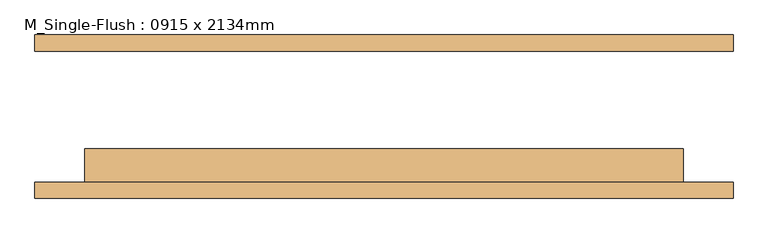
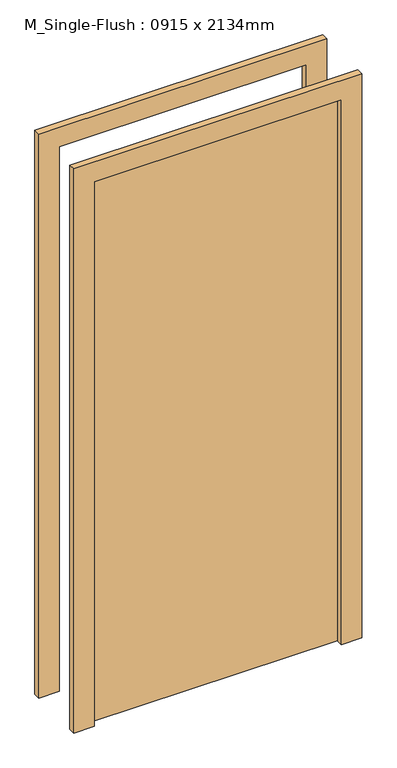
"""IFC4 building model written with IfcOpenShell, lengths in millimetres: door geometry, M_Single-Flush : 0915 x 2134mm."""

from ifc_helpers import new_model, si_unit, frame, origin, origin_with_axes, place, context, project, spatial, polyline, outline, extrude, source, transform, mapped, element, save


def m_single_flush_0915_x_2134mm_727434cd(model_context):
    return source(origin(), model_context, "Body", "SweptSolid", [
        extrude(outline(polyline([(2210.0, -533.5), (0.0, -533.5), (0.0, -457.5), (2134.0, -457.5), (2134.0, 457.5), (0.0, 457.5), (0.0, 533.5), (2210.0, 533.5), (2210.0, -533.5)])), frame((0.0, -125.0, 0.0), z_axis=(0.0, 1.0, 0.0), x_axis=(0.0, 0.0, 1.0)), (0.0, 0.0, 1.0), 25.0),
        extrude(outline(polyline([(2210.0, 533.5), (2210.0, -533.5), (0.0, -533.5), (0.0, -457.5), (2134.0, -457.5), (2134.0, 457.5), (0.0, 457.5), (0.0, 533.5), (2210.0, 533.5)])), frame((0.0, 100.0, 0.0), z_axis=(0.0, 1.0, 0.0), x_axis=(0.0, 0.0, 1.0)), (0.0, 0.0, 1.0), 25.0),
        extrude(outline(polyline([(457.5, -49.0), (457.5, -100.0), (-457.5, -100.0), (-457.5, -49.0), (457.5, -49.0)])), origin_with_axes(), (0.0, 0.0, 1.0), 2134.0),
    ])


if __name__ == "__main__":
    model = new_model("IFC4")
    model_context = context("Model", 3, world=origin())
    ifc_project = project(units=[si_unit("LENGTHUNIT", "METRE", prefix="MILLI")], contexts=[model_context])
    site = spatial("IfcSite", under=ifc_project)
    building = spatial("IfcBuilding", under=site)
    placement = place(None, origin())
    m_single_flush_0915_x_2134mm_shape = m_single_flush_0915_x_2134mm_727434cd(model_context)
    element("IfcDoor", 1, ObjectType="M_Single-Flush : 0915 x 2134mm", at=placement, inside=building, context=model_context, shape_type="MappedRepresentation", body=[
        mapped(m_single_flush_0915_x_2134mm_shape, transform((0.0, 0.0, 0.0), x_axis=(1.0, 0.0, 0.0), y_axis=(0.0, 1.0, 0.0), z_axis=(0.0, 0.0, 1.0))),
    ])
    save(model, "model.ifc")
